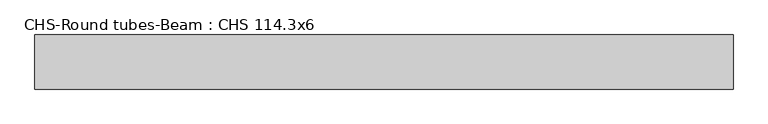
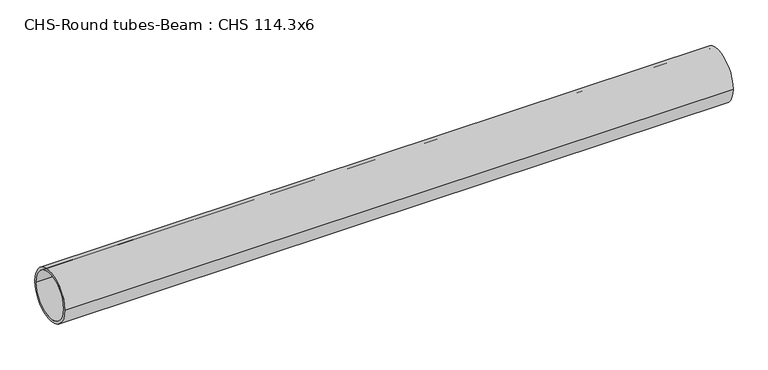
"""IFC4 building model written with IfcOpenShell, lengths in millimetres: beam geometry, CHS-Round tubes-Beam : CHS 114.3x6."""

from ifc_helpers import new_model, si_unit, point, frame, origin, origin_2d, place, context, project, spatial, circle_curve, trimmed, segment, composite_curve, outline, extrude, source, transform, mapped, element, save


def chs_round_tubes_beam_chs_114_3x6_723b73ad(model_context):
    return source(origin(), model_context, "Body", "SweptSolid", [
        extrude(outline(composite_curve([segment(trimmed(circle_curve(origin_2d(), 57.15), [point((57.15, 0.0))], [point((-57.15, 0.0))], False, "CARTESIAN"), True, "CONTINUOUS"), segment(trimmed(circle_curve(origin_2d(), 57.15), [point((-57.15, 0.0))], [point((57.15, 0.0))], False, "CARTESIAN"), True, "CONTINUOUS")], self_intersect=False), holes=[composite_curve([segment(trimmed(circle_curve(origin_2d(), 51.15), [point((51.15, 0.0))], [point((-51.15, 0.0))], True, "CARTESIAN"), True, "CONTINUOUS"), segment(trimmed(circle_curve(origin_2d(), 51.15), [point((-51.15, 0.0))], [point((51.15, 0.0))], True, "CARTESIAN"), True, "CONTINUOUS")], self_intersect=False)]), frame((-760.456484, 0.0, 0.0), z_axis=(1.0, 0.0, 0.0), x_axis=(0.0, 1.0, 0.0)), (0.0, 0.0, 1.0), 1474.8731052),
    ])


if __name__ == "__main__":
    model = new_model("IFC4")
    model_context = context("Model", 3, world=origin())
    ifc_project = project(units=[si_unit("LENGTHUNIT", "METRE", prefix="MILLI")], contexts=[model_context])
    site = spatial("IfcSite", under=ifc_project)
    building = spatial("IfcBuilding", under=site)
    placement = place(None, origin())
    chs_round_tubes_beam_chs_114_3x6_shape = chs_round_tubes_beam_chs_114_3x6_723b73ad(model_context)
    element("IfcBeam", 1, ObjectType="CHS-Round tubes-Beam : CHS 114.3x6", at=placement, inside=building, context=model_context, shape_type="MappedRepresentation", body=[
        mapped(chs_round_tubes_beam_chs_114_3x6_shape, transform((0.0, 0.0, 0.0), x_axis=(1.0, 0.0, 0.0), y_axis=(0.0, 1.0, 0.0), z_axis=(0.0, 0.0, 1.0))),
    ])
    save(model, "model.ifc")
